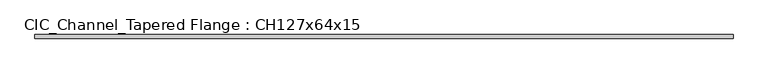
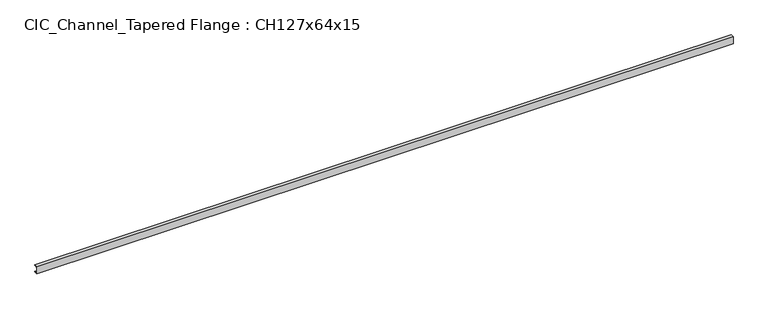
"""IFC4 building model written with IfcOpenShell, lengths in millimetres: beam geometry, CIC_Channel_Tapered Flange : CH127x64x15."""

from ifc_helpers import new_model, si_unit, point, frame, frame_2d, origin, place, context, project, spatial, polyline, circle_curve, trimmed, segment, composite_curve, outline, extrude, source, transform, mapped, element, save


def cic_channel_tapered_flange_ch127x64x15_62be1f8a(model_context):
    return source(origin(), model_context, "Body", "SweptSolid", [
        extrude(outline(composite_curve([segment(polyline([(-19.4, 63.5), (44.1, 63.5)]), True, "CONTINUOUS"), segment(trimmed(circle_curve(frame_2d((34.9, 63.5)), 9.2), [point((44.1, 63.5))], [point((34.9, 54.3))], False, "CARTESIAN"), True, "CONTINUOUS"), segment(polyline([(34.9, 54.3), (-13.0, 46.7133853), (-13.0, -46.7133853), (34.9, -54.3)]), True, "CONTINUOUS"), segment(trimmed(circle_curve(frame_2d((34.9, -63.5)), 9.2), [point((34.9, -54.3))], [point((44.1, -63.5))], False, "CARTESIAN"), True, "CONTINUOUS"), segment(polyline([(44.1, -63.5), (-19.4, -63.5), (-19.4, 63.5)]), True, "CONTINUOUS")], self_intersect=False)), frame((-6172.1, 0.0, 0.0), z_axis=(1.0, 0.0, 0.0), x_axis=(0.0, 1.0, 0.0)), (0.0, 0.0, 1.0), 12344.2),
    ])


if __name__ == "__main__":
    model = new_model("IFC4")
    model_context = context("Model", 3, world=origin())
    ifc_project = project(units=[si_unit("LENGTHUNIT", "METRE", prefix="MILLI")], contexts=[model_context])
    site = spatial("IfcSite", under=ifc_project)
    building = spatial("IfcBuilding", under=site)
    placement = place(None, origin())
    cic_channel_tapered_flange_ch127x64x15_shape = cic_channel_tapered_flange_ch127x64x15_62be1f8a(model_context)
    element("IfcBeam", 1, ObjectType="CIC_Channel_Tapered Flange : CH127x64x15", at=placement, inside=building, context=model_context, shape_type="MappedRepresentation", body=[
        mapped(cic_channel_tapered_flange_ch127x64x15_shape, transform((0.0, 0.0, 0.0), x_axis=(1.0, 0.0, 0.0), y_axis=(0.0, 1.0, 0.0), z_axis=(0.0, 0.0, 1.0))),
    ])
    save(model, "model.ifc")
